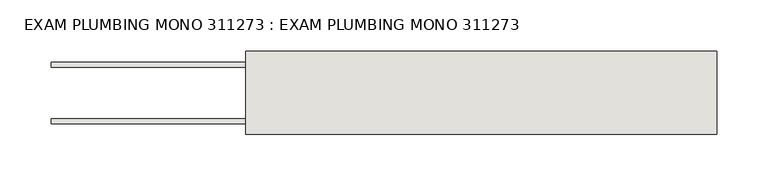
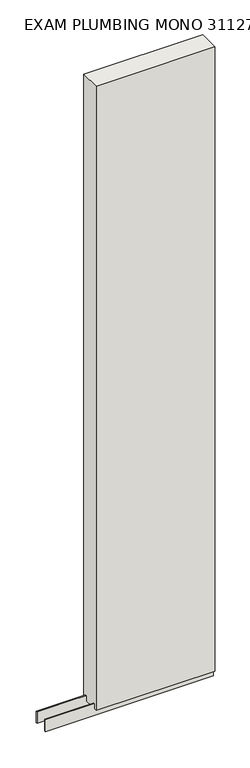
"""IFC4 building model written with IfcOpenShell, lengths in millimetres: wall geometry, EXAM PLUMBING MONO 311273 : EXAM PLUMBING MONO 311273."""

from ifc_helpers import new_model, si_unit, frame, origin, place, context, project, spatial, polyline, outline, extrude, source, transform, mapped, element, save


def exam_plumbing_mono_311273_exam_plumbing_mono_311273_c3a58e29(model_context):
    return source(origin(), model_context, "Body", "SweptSolid", [
        extrude(outline(polyline([(69352.255504, -53335.9245954), (69349.715504, -53335.9245954), (69349.715504, -53333.3845954), (69352.255504, -53333.3845954), (69352.255504, -53335.9245954)])), frame((0.0, 0.0, 4419.6), z_axis=(0.0, 0.0, 1.0), x_axis=(1.0, 0.0, 0.0)), (0.0, 0.0, 1.0), 2.54),
        extrude(outline(polyline([(69810.603965, -53309.5708508), (69159.220457, -53309.5708508), (69159.220457, -53304.4920954), (69810.603965, -53304.4920954), (69810.603965, -53309.5708508)])), frame((0.0, 0.0, 4418.6602), z_axis=(0.0, 0.0, 1.0), x_axis=(1.0, 0.0, 0.0)), (0.0, 0.0, 1.0), 47.625),
        extrude(outline(polyline([(69810.603965, -53309.5708508), (69159.220457, -53309.5708508), (69159.220457, -53304.4920954), (69810.603965, -53304.4920954), (69810.603965, -53309.5708508)])), frame((0.0, 0.0, 4418.6602), z_axis=(0.0, 0.0, 1.0), x_axis=(1.0, 0.0, 0.0)), (0.0, 0.0, 1.0), 47.625),
        extrude(outline(polyline([(69159.220457, -53359.73834), (69810.603965, -53359.73834), (69810.603965, -53364.8170954), (69159.220457, -53364.8170954), (69159.220457, -53359.73834)])), frame((0.0, 0.0, 4418.6602), z_axis=(0.0, 0.0, 1.0), x_axis=(1.0, 0.0, 0.0)), (0.0, 0.0, 1.0), 47.625),
        extrude(outline(polyline([(69159.220457, -53359.73834), (69810.603965, -53359.73834), (69810.603965, -53364.8170954), (69159.220457, -53364.8170954), (69159.220457, -53359.73834)])), frame((0.0, 0.0, 4418.6602), z_axis=(0.0, 0.0, 1.0), x_axis=(1.0, 0.0, 0.0)), (0.0, 0.0, 1.0), 47.625),
        extrude(outline(polyline([(69810.603965, -53293.999711), (69810.603965, -53375.3032822), (69349.720457, -53375.3032822), (69349.720457, -53293.999711), (69810.603965, -53293.999711)])), frame((0.0, 0.0, 4445.0), z_axis=(0.0, 0.0, 1.0), x_axis=(1.0, 0.0, 0.0)), (0.0, 0.0, 1.0), 2562.4536762),
    ])


if __name__ == "__main__":
    model = new_model("IFC4")
    model_context = context("Model", 3, world=origin())
    ifc_project = project(units=[si_unit("LENGTHUNIT", "METRE", prefix="MILLI")], contexts=[model_context])
    site = spatial("IfcSite", under=ifc_project)
    building = spatial("IfcBuilding", under=site)
    placement = place(None, origin())
    exam_plumbing_mono_311273_exam_plumbing_mono_311273_shape = exam_plumbing_mono_311273_exam_plumbing_mono_311273_c3a58e29(model_context)
    element("IfcWall", 1, ObjectType="EXAM PLUMBING MONO 311273 : EXAM PLUMBING MONO 311273", at=placement, inside=building, context=model_context, shape_type="MappedRepresentation", body=[
        mapped(exam_plumbing_mono_311273_exam_plumbing_mono_311273_shape, transform((0.0, 0.0, 0.0), x_axis=(1.0, 0.0, 0.0), y_axis=(0.0, 1.0, 0.0), z_axis=(0.0, 0.0, 1.0))),
    ])
    save(model, "model.ifc")
